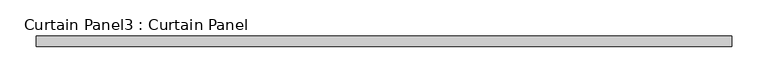
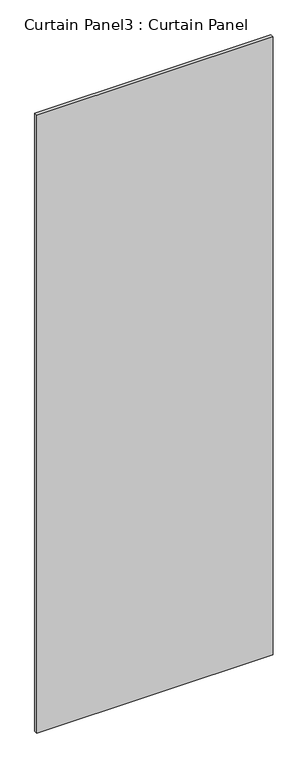
"""IFC4 building model written with IfcOpenShell, lengths in millimetres: plate geometry, Curtain Panel3 : Curtain Panel."""

import ifcopenshell
import ifcopenshell.guid

model = None  # the IFC model being written
_history = None  # IfcOwnerHistory: only IFC2X3 demands one
_inside = {}  # id of a spatial element -> (the spatial element, [elements in it])
_under = {}  # id of a project, library or spatial element -> (it, [spatial elements below it])
_declared = {}  # id of a project -> (the project, [libraries it declares])
_typed = {}  # id of a type object -> (the type object, [elements of that type])
_made_of = {}  # id of a material, layer set ... -> (it, [elements and type objects made of it])


def new_model(schema):
    """Start an empty IFC model of exactly this schema.

    Asked for "IFC4X3", IfcOpenShell would pick the latest addendum, in which some entities
    have other attributes; the version numbers below select the first issue.
    IFC2X3 requires an IfcOwnerHistory on every rooted entity: one is made here for all.
    """
    global model, _history
    if schema == "IFC4X3":
        model = ifcopenshell.file(schema_version=(4, 3, 0, 0))
    else:
        model = ifcopenshell.file(schema=schema)
    _inside.clear()
    _under.clear()
    _declared.clear()
    _typed.clear()
    _made_of.clear()
    _history = None
    if model.schema == "IFC2X3":
        org = make("IfcOrganization", Name="unknown")
        user = make(
            "IfcPersonAndOrganization",
            ThePerson=make("IfcPerson", FamilyName="unknown"),
            TheOrganization=org,
        )
        app = make(
            "IfcApplication",
            ApplicationDeveloper=org,
            Version="unknown",
            ApplicationFullName="unknown",
            ApplicationIdentifier="unknown",
        )
        _history = make(
            "IfcOwnerHistory",
            OwningUser=user,
            OwningApplication=app,
            ChangeAction="ADDED",
            CreationDate=0,
        )
    return model


def make(cls, **values):
    """One entity of the class cls with the attributes given. An attribute that is None is left unset."""
    return model.create_entity(
        cls, **{name: value for name, value in values.items() if value is not None}
    )


def rooted(cls, **values):
    """An entity with a GlobalId (a new one), such as an element, a storey or a relation."""
    return make(cls, GlobalId=ifcopenshell.guid.new(), OwnerHistory=_history, **values)


def si_unit(unit_type, name, prefix=None):
    """IfcSIUnit, for example si_unit("LENGTHUNIT", "METRE", prefix="MILLI")."""
    return make("IfcSIUnit", UnitType=unit_type, Prefix=prefix, Name=name)


def assignment(units):
    """IfcUnitAssignment: the units of a project."""
    return None if units is None else make("IfcUnitAssignment", Units=units)


def point(xyz):
    """IfcCartesianPoint."""
    return None if xyz is None else make("IfcCartesianPoint", Coordinates=xyz)


def direction(xyz):
    """IfcDirection."""
    return None if xyz is None else make("IfcDirection", DirectionRatios=xyz)


def frame(location, z_axis=None, x_axis=None):
    """IfcAxis2Placement3D, a coordinate frame: its origin and axes. An axis left out is left unset."""
    return make(
        "IfcAxis2Placement3D",
        Location=point(location),
        Axis=direction(z_axis),
        RefDirection=direction(x_axis),
    )


def origin():
    """The frame at (0, 0, 0) with its axes left unset."""
    return frame((0.0, 0.0, 0.0))


def place(relative_to, where):
    """IfcLocalPlacement: puts the frame where relative to a parent placement (None: the world)."""
    return make(
        "IfcLocalPlacement", PlacementRelTo=relative_to, RelativePlacement=where
    )


def context(
    kind, dimensions, precision=None, world=None, true_north=None, identifier=None
):
    """IfcGeometricRepresentationContext, for example the 3D "Model" context."""
    return make(
        "IfcGeometricRepresentationContext",
        ContextIdentifier=identifier,
        ContextType=kind,
        CoordinateSpaceDimension=dimensions,
        Precision=precision,
        WorldCoordinateSystem=world,
        TrueNorth=true_north,
    )


def project(units=None, contexts=None):
    """IfcProject with its units and contexts."""
    return rooted(
        "IfcProject",
        Name="project",
        RepresentationContexts=contexts,
        UnitsInContext=assignment(units),
    )


def spatial(cls, under=None, at=None, **own):
    """A site, building, storey or space (cls), placed at a placement, below another one or the project."""
    s = rooted(cls, ObjectPlacement=at, **own)
    if under is not None:
        _under.setdefault(under.id(), (under, []))[1].append(s)
    return s


def polyline(points):
    """IfcPolyline through the points."""
    return make("IfcPolyline", Points=[point(p) for p in points])


def outline(outer, holes=None, kind="AREA"):
    """IfcArbitraryClosedProfileDef: a profile drawn as a closed curve; with holes, ...WithVoids."""
    if holes is None:
        return make("IfcArbitraryClosedProfileDef", ProfileType=kind, OuterCurve=outer)
    return make(
        "IfcArbitraryProfileDefWithVoids",
        ProfileType=kind,
        OuterCurve=outer,
        InnerCurves=holes,
    )


def extrude(swept, where, along, depth):
    """IfcExtrudedAreaSolid: the profile swept, set in the frame where, extruded along a direction by depth."""
    return make(
        "IfcExtrudedAreaSolid",
        SweptArea=swept,
        Position=where,
        ExtrudedDirection=direction(along),
        Depth=depth,
    )


def shape(context_of_items, identifier, shape_type, items):
    """IfcShapeRepresentation: the items that make up one representation, for example the "Body"."""
    return make(
        "IfcShapeRepresentation",
        ContextOfItems=context_of_items,
        RepresentationIdentifier=identifier,
        RepresentationType=shape_type,
        Items=items,
    )


def source(mapping_origin, context_of_items, identifier, shape_type, items):
    """IfcRepresentationMap: a shape defined once, which mapped items show again and again."""
    return make(
        "IfcRepresentationMap",
        MappingOrigin=mapping_origin,
        MappedRepresentation=shape(context_of_items, identifier, shape_type, items),
    )


def transform(
    local_origin,
    x_axis=None,
    y_axis=None,
    z_axis=None,
    scale=None,
    scale2=None,
    scale3=None,
    uniform=True,
):
    """IfcCartesianTransformationOperator3D, or its non-uniform kind. x_axis, y_axis, z_axis: its Axis1, 2, 3."""
    if uniform:
        return make(
            "IfcCartesianTransformationOperator3D",
            Axis1=direction(x_axis),
            Axis2=direction(y_axis),
            LocalOrigin=point(local_origin),
            Scale=scale,
            Axis3=direction(z_axis),
        )
    return make(
        "IfcCartesianTransformationOperator3DnonUniform",
        Axis1=direction(x_axis),
        Axis2=direction(y_axis),
        LocalOrigin=point(local_origin),
        Scale=scale,
        Axis3=direction(z_axis),
        Scale2=scale2,
        Scale3=scale3,
    )


def mapped(mapping_source, mapping_target):
    """IfcMappedItem: shows the shape of a source again, moved by a transform."""
    return make(
        "IfcMappedItem", MappingSource=mapping_source, MappingTarget=mapping_target
    )


def made_of(thing, what):
    """Note that an element or type object is made of a material, layer set ...; save() writes the relation."""
    if what is not None:
        _made_of.setdefault(what.id(), (what, []))[1].append(thing)
    return thing


def element(
    cls,
    number,
    at=None,
    inside=None,
    cuts=None,
    type_object=None,
    material=None,
    context=None,
    identifier="Body",
    shape_type=None,
    held_by="IfcProductDefinitionShape",
    body=None,
    shapes=None,
    **own,
):
    """One element of the class cls, such as IfcWall. Its Tag is "e" and its number.

    at: its placement. inside: the storey or other place that contains it. cuts: it is an
    opening in that element (IfcRelVoidsElement). A single representation is given by context,
    identifier, shape_type and body (its items); several are given by shapes. held_by: the class
    of the entity that holds the representations. save() writes the other relations.
    """
    e = rooted(cls, Tag="e%d" % number, ObjectPlacement=at, **own)
    if body is not None:
        shapes = [shape(context, identifier, shape_type, body)]
    if shapes is not None:
        e.Representation = make(held_by, Representations=shapes)
    if inside is not None:
        _inside.setdefault(inside.id(), (inside, []))[1].append(e)
    if cuts is not None:
        rooted(
            "IfcRelVoidsElement", RelatingBuildingElement=cuts, RelatedOpeningElement=e
        )
    if type_object is not None:
        _typed.setdefault(type_object.id(), (type_object, []))[1].append(e)
    return made_of(e, material)


def aggregate(whole, parts):
    """IfcRelAggregates: a whole, such as a stair, and the parts it consists of."""
    return rooted("IfcRelAggregates", RelatingObject=whole, RelatedObjects=parts)


def save(model, path):
    """Write the relations noted so far, then the file.

    IfcRelAggregates (storeys below a building ...), IfcRelContainedInSpatialStructure (elements
    in a storey), IfcRelDefinesByType, IfcRelAssociatesMaterial and IfcRelDeclares: one each for
    every whole, place, type object, material and project.
    """
    for whole, parts in _under.values():
        aggregate(whole, parts)
    for where, things in _inside.values():
        rooted(
            "IfcRelContainedInSpatialStructure",
            RelatedElements=things,
            RelatingStructure=where,
        )
    for kind, things in _typed.values():
        rooted("IfcRelDefinesByType", RelatedObjects=things, RelatingType=kind)
    for what, things in _made_of.values():
        rooted("IfcRelAssociatesMaterial", RelatedObjects=things, RelatingMaterial=what)
    for by, libraries in _declared.values():
        rooted("IfcRelDeclares", RelatingContext=by, RelatedDefinitions=libraries)
    model.write(path)


def curtain_panel3_curtain_panel_78070a36(model_context):
    return source(origin(), model_context, "Body", "SweptSolid", [
        extrude(outline(polyline([(-60774.2779199, 951.0313826), (-61735.3829366, 951.0313826), (-61735.3829366, 965.3188826), (-60774.2779199, 965.3188826), (-60774.2779199, 951.0313826)])), frame((0.0, 0.0, 227.0318741), z_axis=(0.0, 0.0, 1.0), x_axis=(1.0, 0.0, 0.0)), (0.0, 0.0, 1.0), 2658.0138555),
    ])


if __name__ == "__main__":
    model = new_model("IFC4")
    model_context = context("Model", 3, world=origin())
    ifc_project = project(units=[si_unit("LENGTHUNIT", "METRE", prefix="MILLI")], contexts=[model_context])
    site = spatial("IfcSite", under=ifc_project)
    building = spatial("IfcBuilding", under=site)
    placement = place(None, origin())
    curtain_panel3_curtain_panel_shape = curtain_panel3_curtain_panel_78070a36(model_context)
    element("IfcPlate", 1, ObjectType="Curtain Panel3 : Curtain Panel", at=placement, inside=building, context=model_context, shape_type="MappedRepresentation", body=[
        mapped(curtain_panel3_curtain_panel_shape, transform((0.0, 0.0, 0.0), x_axis=(1.0, 0.0, 0.0), y_axis=(0.0, 1.0, 0.0), z_axis=(0.0, 0.0, 1.0))),
    ])
    save(model, "model.ifc")
